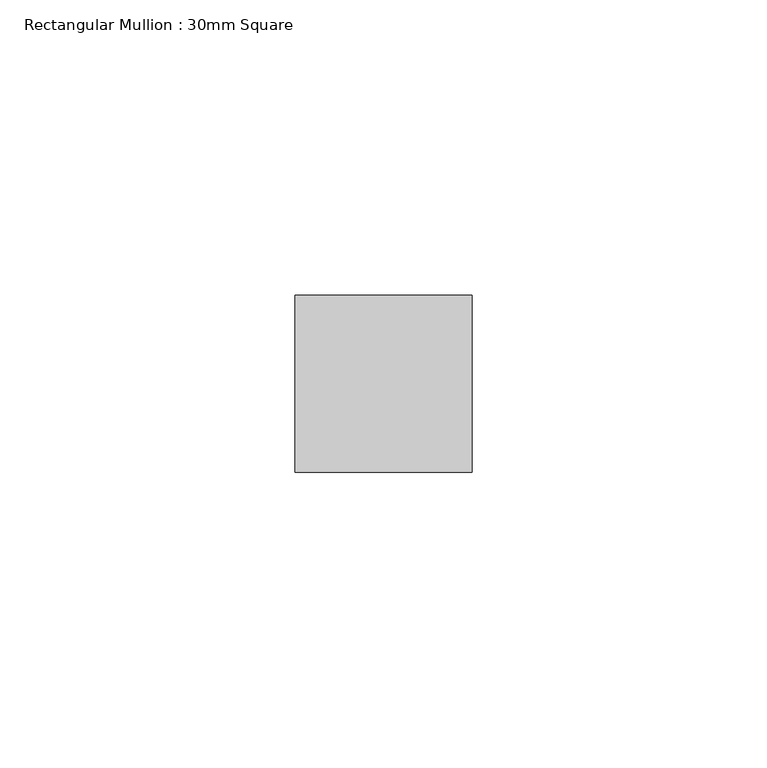
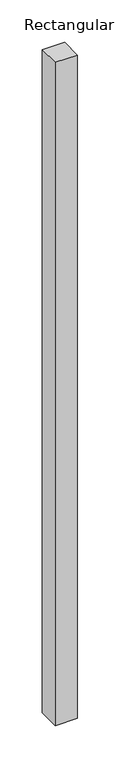
"""IFC4 building model written with IfcOpenShell, lengths in millimetres: member geometry, Rectangular Mullion : 30mm Square."""

from ifc_helpers import new_model, si_unit, frame, origin, place, context, project, spatial, polyline, outline, extrude, source, transform, mapped, element, save


def rectangular_mullion_30mm_square_ef870936(model_context):
    return source(origin(), model_context, "Body", "SweptSolid", [
        extrude(outline(polyline([(15.0, 15.0), (15.0, -15.0), (-15.0, -15.0), (-15.0, 15.0), (15.0, 15.0)])), frame((0.0, 0.0, -952.4471375), z_axis=(0.0, 0.0, 1.0), x_axis=(1.0, 0.0, 0.0)), (0.0, 0.0, 1.0), 952.4471375),
    ])


if __name__ == "__main__":
    model = new_model("IFC4")
    model_context = context("Model", 3, world=origin())
    ifc_project = project(units=[si_unit("LENGTHUNIT", "METRE", prefix="MILLI")], contexts=[model_context])
    site = spatial("IfcSite", under=ifc_project)
    building = spatial("IfcBuilding", under=site)
    placement = place(None, origin())
    rectangular_mullion_30mm_square_shape = rectangular_mullion_30mm_square_ef870936(model_context)
    element("IfcMember", 1, ObjectType="Rectangular Mullion : 30mm Square", at=placement, inside=building, context=model_context, shape_type="MappedRepresentation", body=[
        mapped(rectangular_mullion_30mm_square_shape, transform((0.0, 0.0, 0.0), x_axis=(1.0, 0.0, 0.0), y_axis=(0.0, 1.0, 0.0), z_axis=(0.0, 0.0, 1.0))),
    ])
    save(model, "model.ifc")
